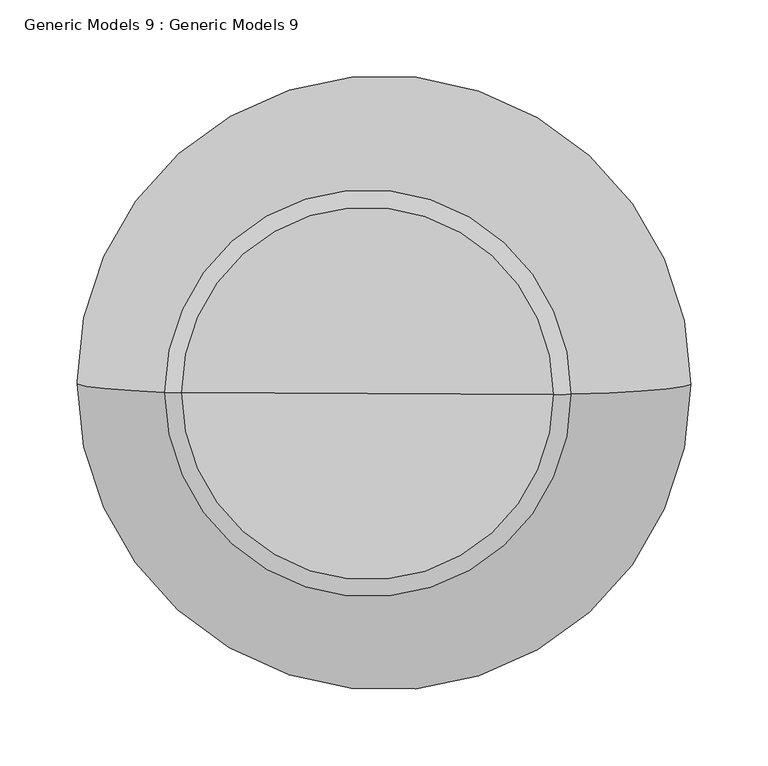
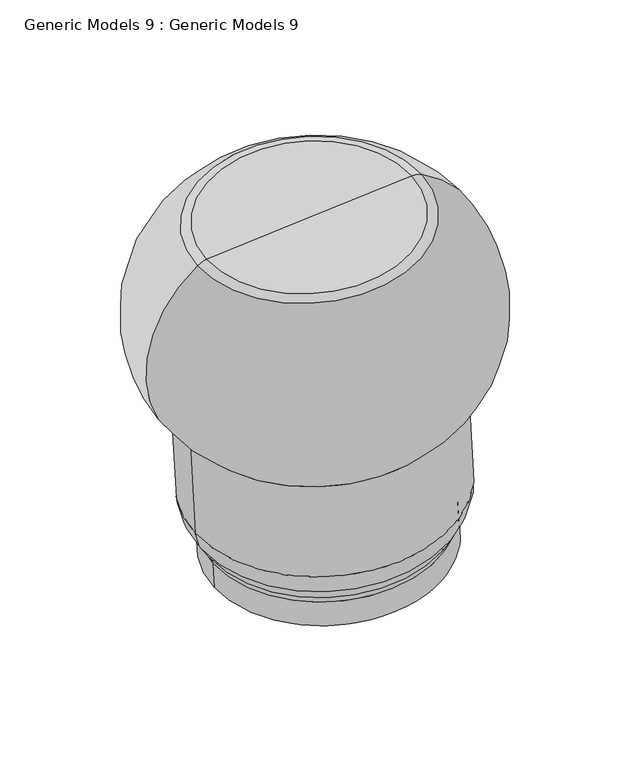
"""IFC4 building model written with IfcOpenShell, lengths in millimetres: proxy geometry, Generic Models 9 : Generic Models 9."""

import ifcopenshell
import ifcopenshell.guid

model = None  # the IFC model being written
_history = None  # IfcOwnerHistory: only IFC2X3 demands one
_inside = {}  # id of a spatial element -> (the spatial element, [elements in it])
_under = {}  # id of a project, library or spatial element -> (it, [spatial elements below it])
_declared = {}  # id of a project -> (the project, [libraries it declares])
_typed = {}  # id of a type object -> (the type object, [elements of that type])
_made_of = {}  # id of a material, layer set ... -> (it, [elements and type objects made of it])


def new_model(schema):
    """Start an empty IFC model of exactly this schema.

    Asked for "IFC4X3", IfcOpenShell would pick the latest addendum, in which some entities
    have other attributes; the version numbers below select the first issue.
    IFC2X3 requires an IfcOwnerHistory on every rooted entity: one is made here for all.
    """
    global model, _history
    if schema == "IFC4X3":
        model = ifcopenshell.file(schema_version=(4, 3, 0, 0))
    else:
        model = ifcopenshell.file(schema=schema)
    _inside.clear()
    _under.clear()
    _declared.clear()
    _typed.clear()
    _made_of.clear()
    _history = None
    if model.schema == "IFC2X3":
        org = make("IfcOrganization", Name="unknown")
        user = make(
            "IfcPersonAndOrganization",
            ThePerson=make("IfcPerson", FamilyName="unknown"),
            TheOrganization=org,
        )
        app = make(
            "IfcApplication",
            ApplicationDeveloper=org,
            Version="unknown",
            ApplicationFullName="unknown",
            ApplicationIdentifier="unknown",
        )
        _history = make(
            "IfcOwnerHistory",
            OwningUser=user,
            OwningApplication=app,
            ChangeAction="ADDED",
            CreationDate=0,
        )
    return model


def make(cls, **values):
    """One entity of the class cls with the attributes given. An attribute that is None is left unset."""
    return model.create_entity(
        cls, **{name: value for name, value in values.items() if value is not None}
    )


def rooted(cls, **values):
    """An entity with a GlobalId (a new one), such as an element, a storey or a relation."""
    return make(cls, GlobalId=ifcopenshell.guid.new(), OwnerHistory=_history, **values)


def si_unit(unit_type, name, prefix=None):
    """IfcSIUnit, for example si_unit("LENGTHUNIT", "METRE", prefix="MILLI")."""
    return make("IfcSIUnit", UnitType=unit_type, Prefix=prefix, Name=name)


def assignment(units):
    """IfcUnitAssignment: the units of a project."""
    return None if units is None else make("IfcUnitAssignment", Units=units)


def point(xyz):
    """IfcCartesianPoint."""
    return None if xyz is None else make("IfcCartesianPoint", Coordinates=xyz)


def direction(xyz):
    """IfcDirection."""
    return None if xyz is None else make("IfcDirection", DirectionRatios=xyz)


def frame(location, z_axis=None, x_axis=None):
    """IfcAxis2Placement3D, a coordinate frame: its origin and axes. An axis left out is left unset."""
    return make(
        "IfcAxis2Placement3D",
        Location=point(location),
        Axis=direction(z_axis),
        RefDirection=direction(x_axis),
    )


def origin():
    """The frame at (0, 0, 0) with its axes left unset."""
    return frame((0.0, 0.0, 0.0))


def place(relative_to, where):
    """IfcLocalPlacement: puts the frame where relative to a parent placement (None: the world)."""
    return make(
        "IfcLocalPlacement", PlacementRelTo=relative_to, RelativePlacement=where
    )


def context(
    kind, dimensions, precision=None, world=None, true_north=None, identifier=None
):
    """IfcGeometricRepresentationContext, for example the 3D "Model" context."""
    return make(
        "IfcGeometricRepresentationContext",
        ContextIdentifier=identifier,
        ContextType=kind,
        CoordinateSpaceDimension=dimensions,
        Precision=precision,
        WorldCoordinateSystem=world,
        TrueNorth=true_north,
    )


def project(units=None, contexts=None):
    """IfcProject with its units and contexts."""
    return rooted(
        "IfcProject",
        Name="project",
        RepresentationContexts=contexts,
        UnitsInContext=assignment(units),
    )


def spatial(cls, under=None, at=None, **own):
    """A site, building, storey or space (cls), placed at a placement, below another one or the project."""
    s = rooted(cls, ObjectPlacement=at, **own)
    if under is not None:
        _under.setdefault(under.id(), (under, []))[1].append(s)
    return s


def polyline(points):
    """IfcPolyline through the points."""
    return make("IfcPolyline", Points=[point(p) for p in points])


def circle_curve(where, radius):
    """IfcCircle in the frame where."""
    return make("IfcCircle", Position=where, Radius=radius)


def ellipse_curve(where, semi_axis1, semi_axis2):
    """IfcEllipse in the frame where."""
    return make(
        "IfcEllipse", Position=where, SemiAxis1=semi_axis1, SemiAxis2=semi_axis2
    )


def trimmed(basis, trim1, trim2, sense, master):
    """IfcTrimmedCurve: the piece of a basis curve between two trims."""
    return make(
        "IfcTrimmedCurve",
        BasisCurve=basis,
        Trim1=trim1,
        Trim2=trim2,
        SenseAgreement=sense,
        MasterRepresentation=master,
    )


def shape(context_of_items, identifier, shape_type, items):
    """IfcShapeRepresentation: the items that make up one representation, for example the "Body"."""
    return make(
        "IfcShapeRepresentation",
        ContextOfItems=context_of_items,
        RepresentationIdentifier=identifier,
        RepresentationType=shape_type,
        Items=items,
    )


def source(mapping_origin, context_of_items, identifier, shape_type, items):
    """IfcRepresentationMap: a shape defined once, which mapped items show again and again."""
    return make(
        "IfcRepresentationMap",
        MappingOrigin=mapping_origin,
        MappedRepresentation=shape(context_of_items, identifier, shape_type, items),
    )


def transform(
    local_origin,
    x_axis=None,
    y_axis=None,
    z_axis=None,
    scale=None,
    scale2=None,
    scale3=None,
    uniform=True,
):
    """IfcCartesianTransformationOperator3D, or its non-uniform kind. x_axis, y_axis, z_axis: its Axis1, 2, 3."""
    if uniform:
        return make(
            "IfcCartesianTransformationOperator3D",
            Axis1=direction(x_axis),
            Axis2=direction(y_axis),
            LocalOrigin=point(local_origin),
            Scale=scale,
            Axis3=direction(z_axis),
        )
    return make(
        "IfcCartesianTransformationOperator3DnonUniform",
        Axis1=direction(x_axis),
        Axis2=direction(y_axis),
        LocalOrigin=point(local_origin),
        Scale=scale,
        Axis3=direction(z_axis),
        Scale2=scale2,
        Scale3=scale3,
    )


def mapped(mapping_source, mapping_target):
    """IfcMappedItem: shows the shape of a source again, moved by a transform."""
    return make(
        "IfcMappedItem", MappingSource=mapping_source, MappingTarget=mapping_target
    )


def made_of(thing, what):
    """Note that an element or type object is made of a material, layer set ...; save() writes the relation."""
    if what is not None:
        _made_of.setdefault(what.id(), (what, []))[1].append(thing)
    return thing


def element(
    cls,
    number,
    at=None,
    inside=None,
    cuts=None,
    type_object=None,
    material=None,
    context=None,
    identifier="Body",
    shape_type=None,
    held_by="IfcProductDefinitionShape",
    body=None,
    shapes=None,
    **own,
):
    """One element of the class cls, such as IfcWall. Its Tag is "e" and its number.

    at: its placement. inside: the storey or other place that contains it. cuts: it is an
    opening in that element (IfcRelVoidsElement). A single representation is given by context,
    identifier, shape_type and body (its items); several are given by shapes. held_by: the class
    of the entity that holds the representations. save() writes the other relations.
    """
    e = rooted(cls, Tag="e%d" % number, ObjectPlacement=at, **own)
    if body is not None:
        shapes = [shape(context, identifier, shape_type, body)]
    if shapes is not None:
        e.Representation = make(held_by, Representations=shapes)
    if inside is not None:
        _inside.setdefault(inside.id(), (inside, []))[1].append(e)
    if cuts is not None:
        rooted(
            "IfcRelVoidsElement", RelatingBuildingElement=cuts, RelatedOpeningElement=e
        )
    if type_object is not None:
        _typed.setdefault(type_object.id(), (type_object, []))[1].append(e)
    return made_of(e, material)


def aggregate(whole, parts):
    """IfcRelAggregates: a whole, such as a stair, and the parts it consists of."""
    return rooted("IfcRelAggregates", RelatingObject=whole, RelatedObjects=parts)


def save(model, path):
    """Write the relations noted so far, then the file.

    IfcRelAggregates (storeys below a building ...), IfcRelContainedInSpatialStructure (elements
    in a storey), IfcRelDefinesByType, IfcRelAssociatesMaterial and IfcRelDeclares: one each for
    every whole, place, type object, material and project.
    """
    for whole, parts in _under.values():
        aggregate(whole, parts)
    for where, things in _inside.values():
        rooted(
            "IfcRelContainedInSpatialStructure",
            RelatedElements=things,
            RelatingStructure=where,
        )
    for kind, things in _typed.values():
        rooted("IfcRelDefinesByType", RelatedObjects=things, RelatingType=kind)
    for what, things in _made_of.values():
        rooted("IfcRelAssociatesMaterial", RelatedObjects=things, RelatingMaterial=what)
    for by, libraries in _declared.values():
        rooted("IfcRelDeclares", RelatingContext=by, RelatedDefinitions=libraries)
    model.write(path)


def plane_surface(at):
    """IfcPlane: the flat surface through the origin of the frame at, square to its z axis."""
    return make("IfcPlane", Position=at)


def cylinder_surface(at, radius):
    """IfcCylindricalSurface: all points at the distance radius from the z axis of the frame at."""
    return make("IfcCylindricalSurface", Position=at, Radius=radius)


def revolved_surface(curve, axis_point, axis_direction):
    """IfcSurfaceOfRevolution: the curve turned about the line through axis_point along axis_direction."""
    return make(
        "IfcSurfaceOfRevolution",
        SweptCurve=make("IfcArbitraryOpenProfileDef", ProfileType="CURVE", Curve=curve),
        AxisPosition=make("IfcAxis1Placement", Location=point(axis_point), Axis=direction(axis_direction)),
    )


def advanced_brep(points, edges, surfaces, faces):
    """IfcAdvancedBrep: a solid bounded by faces that lie on surfaces and meet in shared edges.

    An edge is (start, end): straight between two places in points (the first is 0);
    or (start, end, curve); or (start, end, curve, False) where it runs against its curve.
    A face is (place in surfaces, loops), or (place, loops, False) where it looks against
    its surface's normal. A loop lists edges by number (the first is 1), with a minus sign
    where the edge is run from its end to its start. The first loop is the outer one.
    """
    corners = [point(p) for p in points]
    vertices = [make("IfcVertexPoint", VertexGeometry=c) for c in corners]
    made = []
    for start, end, *more in edges:
        made.append(
            make(
                "IfcEdgeCurve",
                EdgeStart=vertices[start],
                EdgeEnd=vertices[end],
                EdgeGeometry=more[0] if more else make("IfcPolyline", Points=[corners[start], corners[end]]),
                SameSense=more[1] if len(more) > 1 else True,
            )
        )
    hull = []
    for where, loops, *sense in faces:
        bounds = []
        for j, loop in enumerate(loops):
            ring = [make("IfcOrientedEdge", EdgeElement=made[abs(k) - 1], Orientation=k > 0) for k in loop]
            bounds.append(
                make(
                    "IfcFaceOuterBound" if j == 0 else "IfcFaceBound",
                    Bound=make("IfcEdgeLoop", EdgeList=ring),
                    Orientation=True,
                )
            )
        hull.append(make("IfcAdvancedFace", Bounds=bounds, FaceSurface=surfaces[where], SameSense=sense[0] if sense else True))
    return make("IfcAdvancedBrep", Outer=make("IfcClosedShell", CfsFaces=hull))


def generic_models_9_generic_models_9_ffc767a7(model_context):
    return source(origin(), model_context, "Body", "AdvancedBrep", [
        advanced_brep(
        [(-24432.2599384, 19407.1670842, 47.3144792), (-24163.3953457, 19405.9257158, 69.9530401), (-24297.8276421, 19406.5464, 58.6337597), (-24434.9136267, 19405.4440944, 78.7362626), (-24166.049034, 19404.2027259, 101.3748234), (-24437.5000343, 19405.0492478, 85.9369927), (-24164.7068208, 19403.7897406, 108.9063458), (-24447.8434405, 19404.2295532, 100.8855806), (-24157.0165823, 19402.8867833, 125.3733775), (-24456.6687827, 19402.8822572, 125.4559178), (-24152.4366811, 19401.4775943, 151.0724442), (-24466.8036827, 19396.3018574, 245.4612083), (-24162.5715812, 19394.8971944, 271.0777347), (-24465.7743512, 19383.7735056, 473.9379768), (-24201.9053405, 19382.5552021, 496.1559067), (-24454.8681849, 19383.5456459, 478.0934036), (-24213.3544203, 19382.4305583, 498.4290082), (-24334.1113026, 19382.9881021, 488.2612059)],
        [
            (0, 1, circle_curve(frame((-24297.8276421, 19406.5464, 58.6337597), z_axis=(0.08402885716214227, 0.0545583555690077, -0.9949686110634999), x_axis=(0.9964633215347288, -0.004600747632185873, 0.08390281257026279)), 134.9094276)),
            (1, 2),
            (2, 0),
            (1, 0, circle_curve(frame((-24297.8276421, 19406.5464, 58.6337597), z_axis=(0.08402885716214227, 0.0545583555690077, -0.9949686110634999), x_axis=(0.9964633215347288, -0.004600747632185873, 0.08390281257026279)), 134.9094276)),
            (3, 4, circle_curve(frame((-24300.4813304, 19404.8234101, 90.055543), z_axis=(0.08402885716214227, 0.0545583555690077, -0.9949686110634999), x_axis=(0.9964633215347288, -0.004600747632185873, 0.08390281257026279)), 134.9094276)),
            (4, 1),
            (0, 3),
            (4, 3, circle_curve(frame((-24300.4813304, 19404.8234101, 90.055543), z_axis=(0.08402885716214227, 0.0545583555690077, -0.9949686110634999), x_axis=(0.9964633215347288, -0.004600747632185873, 0.08390281257026279)), 134.9094276)),
            (5, 6, circle_curve(frame((-24301.1034275, 19404.4194942, 97.4216692), z_axis=(0.08402885716214227, 0.0545583555690077, -0.9949686110634999), x_axis=(0.9964633215347288, -0.004600747632185873, 0.08390281257026279)), 136.8807098)),
            (6, 4, circle_curve(frame((-24151.213935, 19404.1342311, 102.6239477), z_axis=(0.0, -0.9984999844560996, -0.05475199577339242), x_axis=(1.0000000000000002, 0.0, 0.0)), 14.8877522)),
            (3, 5, circle_curve(frame((-24449.7487257, 19405.5125892, 77.4871383), z_axis=(0.0, -0.9984999844561, -0.05475199577338382), x_axis=(-0.9858783023280487, 0.009168952534223328, -0.1672121505997396)), 14.8877522)),
            (6, 5, circle_curve(frame((-24301.1034275, 19404.4194942, 97.4216692), z_axis=(0.08402885716214227, 0.0545583555690077, -0.9949686110634999), x_axis=(0.9964633215347288, -0.004600747632185873, 0.08390281257026279)), 136.8807098)),
            (7, 8, circle_curve(frame((-24302.4300114, 19403.5581682, 113.1294791), z_axis=(0.08402885716214227, 0.0545583555690077, -0.9949686110634999), x_axis=(0.9964633215347288, -0.004600747632185873, 0.08390281257026279)), 145.929535)),
            (8, 6),
            (5, 7),
            (8, 7, circle_curve(frame((-24302.4300114, 19403.5581682, 113.1294791), z_axis=(0.08402885716214227, 0.0545583555690077, -0.9949686110634999), x_axis=(0.9964633215347288, -0.004600747632185873, 0.08390281257026279)), 145.929535)),
            (9, 10, circle_curve(frame((-24304.5527319, 19402.1799257, 138.264181), z_axis=(0.08402885716214227, 0.0545583555690077, -0.9949686110634999), x_axis=(0.9964633215347288, -0.004600747632185873, 0.08390281257026279)), 152.6559458)),
            (10, 8, circle_curve(frame((-24203.0570179, 19401.7113122, 146.8101813), z_axis=(0.0, 0.9984999844560996, 0.05475199577339242), x_axis=(1.0000000000000002, 0.0, 0.0)), 50.8)),
            (7, 9, circle_curve(frame((-24406.048446, 19402.6485392, 129.7181807), z_axis=(0.0, 0.9984999844561, 0.05475199577338382), x_axis=(-0.9858783023280487, 0.009168952534223328, -0.1672121505997396)), 50.8)),
            (10, 9, circle_curve(frame((-24304.5527319, 19402.1799257, 138.264181), z_axis=(0.08402885716214227, 0.0545583555690077, -0.9949686110634999), x_axis=(0.9964633215347288, -0.004600747632185873, 0.08390281257026279)), 152.6559458)),
            (11, 12, circle_curve(frame((-24314.687632, 19395.5995259, 258.2694715), z_axis=(0.08402885716214227, 0.0545583555690077, -0.9949686110634999), x_axis=(0.9964633215347288, -0.004600747632185873, 0.08390281257026279)), 152.6559458)),
            (12, 10),
            (9, 11),
            (12, 11, circle_curve(frame((-24314.687632, 19395.5995259, 258.2694715), z_axis=(0.08402885716214227, 0.0545583555690077, -0.9949686110634999), x_axis=(0.9964633215347288, -0.004600747632185873, 0.08390281257026279)), 152.6559458)),
            (13, 14, circle_curve(frame((-24333.8398459, 19383.1643538, 485.0469418), z_axis=(0.08402885716214227, 0.0545583555690077, -0.9949686110634999), x_axis=(0.9964633215347288, -0.004600747632185873, 0.08390281257026279)), 132.4027714)),
            (14, 12, circle_curve(frame((-24267.8200168, 19389.5438347, 368.7057654), z_axis=(0.0, 0.9984999844560996, 0.05475199577339242), x_axis=(1.0000000000000002, 0.0, 0.0)), 143.6562705)),
            (11, 13, circle_curve(frame((-24379.4152114, 19390.0590783, 359.3093827), z_axis=(0.0, 0.9984999844561, 0.05475199577338382), x_axis=(-0.9858783023280487, 0.009168952534223328, -0.1672121505997396)), 143.6562705)),
            (14, 13, circle_curve(frame((-24333.8398459, 19383.1643538, 485.0469418), z_axis=(0.08402885716214227, 0.0545583555690077, -0.9949686110634999), x_axis=(0.9964633215347288, -0.004600747632185873, 0.08390281257026279)), 132.4027714)),
            (15, 16, circle_curve(frame((-24334.1113026, 19382.9881021, 488.2612059), z_axis=(0.08402885716214227, 0.0545583555690077, -0.9949686110634999), x_axis=(0.9964633215347288, -0.004600747632185873, 0.08390281257026279)), 121.1854764)),
            (16, 14, circle_curve(frame((-24211.5822426, 19383.5811999, 477.4450124), z_axis=(0.0, 0.9984999844560996, 0.05475199577339242), x_axis=(1.0000000000000002, 0.0, 0.0)), 21.0901084)),
            (13, 15, circle_curve(frame((-24453.0960072, 19384.6962875, 457.1094077), z_axis=(0.0, 0.9984999844561, 0.05475199577338382), x_axis=(-0.9858783023280487, 0.009168952534223328, -0.1672121505997396)), 21.0901084)),
            (16, 15, circle_curve(frame((-24334.1113026, 19382.9881021, 488.2612059), z_axis=(0.08402885716214227, 0.0545583555690077, -0.9949686110634999), x_axis=(0.9964633215347288, -0.004600747632185873, 0.08390281257026279)), 121.1854764)),
            (17, 16),
            (15, 17),
        ],
        [
            plane_surface(frame((-24297.8276421, 19406.5464, 58.6337597), z_axis=(0.0840288571621423, 0.05455835556900547, -0.9949686110635001), x_axis=(0.9964633215347288, -0.004600747632185873, 0.08390281257026279))),
            cylinder_surface(frame((-24297.8276421, 19406.5464, 58.6337597), z_axis=(-0.08402885716214227, -0.0545583555690077, 0.9949686110634999), x_axis=(0.9964633215347288, -0.004600747632185873, 0.08390281257026279)), 134.9094276),
            revolved_surface(trimmed(ellipse_curve(frame((-24151.213935, 19404.1342311, 102.6239477), z_axis=(0.0, 0.9984999844560996, 0.05475199577339242), x_axis=(1.0000000000000002, 0.0, 0.0)), 14.8877522, 14.8877522), [point((-24166.049034, 19404.2027259, 101.3748234))], [point((-24164.7068208, 19403.7897406, 108.9063458))], True, "CARTESIAN"), (-24297.8276421, 19406.5464, 58.6337597), (-0.08402885716214227, -0.0545583555690077, 0.9949686110634999)),
            revolved_surface(trimmed(ellipse_curve(frame((-24151.213935, 19404.1342311, 102.6239477), z_axis=(0.0, 0.9984999844560994, 0.05475199577339464), x_axis=(1.0000000000000002, 0.0, 0.0)), 14.8877522, 14.8877522), [point((-24166.049034, 19404.2027259, 101.3748234))], [point((-24164.7068208, 19403.7897406, 108.9063458))], True, "CARTESIAN"), (-24297.8276421, 19406.5464, 58.6337597), (-0.08402885716214227, -0.0545583555690077, 0.9949686110634999)),
            revolved_surface(polyline([(-24164.7068208, 19403.7897406, 108.9063458), (-24157.0165823, 19402.8867833, 125.3733775)]), (-24297.8276421, 19406.5464, 58.6337597), (-0.08402885716214227, -0.0545583555690077, 0.9949686110634999)),
            revolved_surface(trimmed(ellipse_curve(frame((-24203.0570179, 19401.7113122, 146.8101813), z_axis=(0.0, -0.9984999844560996, -0.05475199577339242), x_axis=(1.0000000000000002, 0.0, 0.0)), 50.8, 50.8), [point((-24157.0165823, 19402.8867833, 125.3733775))], [point((-24152.4366811, 19401.4775943, 151.0724442))], True, "CARTESIAN"), (-24297.8276421, 19406.5464, 58.6337597), (-0.08402885716214227, -0.0545583555690077, 0.9949686110634999)),
            revolved_surface(trimmed(ellipse_curve(frame((-24203.0570179, 19401.7113122, 146.8101813), z_axis=(0.0, -0.9984999844560994, -0.05475199577339464), x_axis=(1.0000000000000002, 0.0, 0.0)), 50.8, 50.8), [point((-24157.0165823, 19402.8867833, 125.3733775))], [point((-24152.4366811, 19401.4775943, 151.0724442))], True, "CARTESIAN"), (-24297.8276421, 19406.5464, 58.6337597), (-0.08402885716214227, -0.0545583555690077, 0.9949686110634999)),
            cylinder_surface(frame((-24297.8276421, 19406.5464, 58.6337597), z_axis=(-0.08402885716214227, -0.0545583555690077, 0.9949686110634999), x_axis=(0.9964633215347288, -0.004600747632185873, 0.08390281257026279)), 152.6559458),
            revolved_surface(trimmed(ellipse_curve(frame((-24267.8200168, 19389.5438347, 368.7057654), z_axis=(0.0, -0.9984999844560996, -0.05475199577339242), x_axis=(1.0000000000000002, 0.0, 0.0)), 143.6562705, 143.6562705), [point((-24162.5715812, 19394.8971944, 271.0777347))], [point((-24201.9053405, 19382.5552021, 496.1559067))], True, "CARTESIAN"), (-24297.8276421, 19406.5464, 58.6337597), (-0.08402885716214227, -0.0545583555690077, 0.9949686110634999)),
            revolved_surface(trimmed(ellipse_curve(frame((-24267.8200168, 19389.5438347, 368.7057654), z_axis=(0.0, -0.9984999844560994, -0.05475199577339464), x_axis=(1.0000000000000002, 0.0, 0.0)), 143.6562705, 143.6562705), [point((-24162.5715812, 19394.8971944, 271.0777347))], [point((-24201.9053405, 19382.5552021, 496.1559067))], True, "CARTESIAN"), (-24297.8276421, 19406.5464, 58.6337597), (-0.08402885716214227, -0.0545583555690077, 0.9949686110634999)),
            revolved_surface(trimmed(ellipse_curve(frame((-24211.5822426, 19383.5811999, 477.4450124), z_axis=(0.0, -0.9984999844560996, -0.05475199577339242), x_axis=(1.0000000000000002, 0.0, 0.0)), 21.0901084, 21.0901084), [point((-24201.9053405, 19382.5552021, 496.1559067))], [point((-24213.3544203, 19382.4305583, 498.4290082))], True, "CARTESIAN"), (-24297.8276421, 19406.5464, 58.6337597), (-0.08402885716214227, -0.0545583555690077, 0.9949686110634999)),
            revolved_surface(trimmed(ellipse_curve(frame((-24211.5822426, 19383.5811999, 477.4450124), z_axis=(0.0, -0.9984999844560994, -0.05475199577339464), x_axis=(1.0000000000000002, 0.0, 0.0)), 21.0901084, 21.0901084), [point((-24201.9053405, 19382.5552021, 496.1559067))], [point((-24213.3544203, 19382.4305583, 498.4290082))], True, "CARTESIAN"), (-24297.8276421, 19406.5464, 58.6337597), (-0.08402885716214227, -0.0545583555690077, 0.9949686110634999)),
            plane_surface(frame((-24334.1113026, 19382.9881021, 488.2612059), z_axis=(-0.0840288571621423, -0.05455835556900547, 0.9949686110635001), x_axis=(0.9964633215347288, -0.004600747632185873, 0.08390281257026279))),
        ],
        [
            (0, [[1, 2, 3]]),
            (0, [[4, -3, -2]]),
            (1, [[5, 6, -1, 7]]),
            (1, [[8, -7, -4, -6]]),
            (2, [[9, 10, -5, 11]]),
            (3, [[12, -11, -8, -10]]),
            (4, [[13, 14, -9, 15]]),
            (4, [[16, -15, -12, -14]]),
            (5, [[17, 18, -13, 19]]),
            (6, [[20, -19, -16, -18]]),
            (7, [[21, 22, -17, 23]]),
            (7, [[24, -23, -20, -22]]),
            (8, [[25, 26, -21, 27]]),
            (9, [[28, -27, -24, -26]]),
            (10, [[29, 30, -25, 31]]),
            (11, [[32, -31, -28, -30]]),
            (12, [[33, -29, 34]]),
            (12, [[-34, -32, -33]]),
        ],
    ),
    ])


if __name__ == "__main__":
    model = new_model("IFC4")
    model_context = context("Model", 3, world=origin())
    ifc_project = project(units=[si_unit("LENGTHUNIT", "METRE", prefix="MILLI")], contexts=[model_context])
    site = spatial("IfcSite", under=ifc_project)
    building = spatial("IfcBuilding", under=site)
    placement = place(None, origin())
    generic_models_9_generic_models_9_shape = generic_models_9_generic_models_9_ffc767a7(model_context)
    element("IfcBuildingElementProxy", 1, Name="Generic Models 9 : Generic Models 9", ObjectType="Generic Models 9 : Generic Models 9", at=placement, inside=building, context=model_context, shape_type="MappedRepresentation", body=[
        mapped(generic_models_9_generic_models_9_shape, transform((0.0, 0.0, 0.0), x_axis=(1.0, 0.0, 0.0), y_axis=(0.0, 1.0, 0.0), z_axis=(0.0, 0.0, 1.0))),
    ])
    save(model, "model.ifc")
